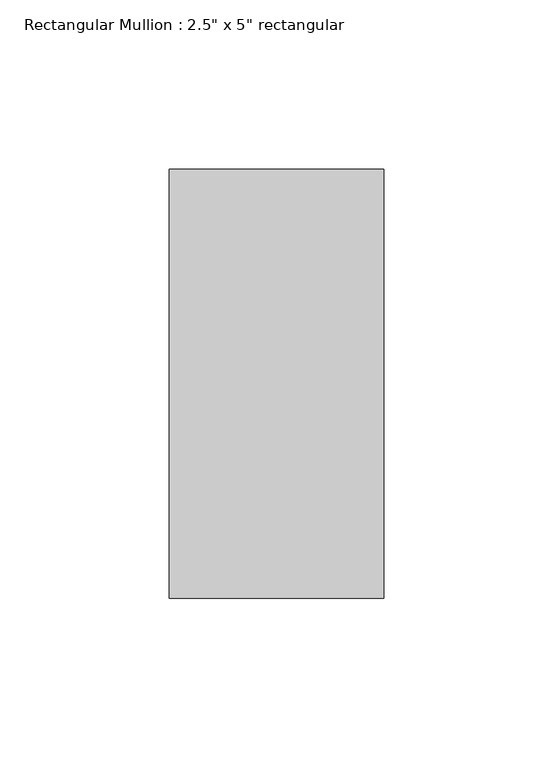
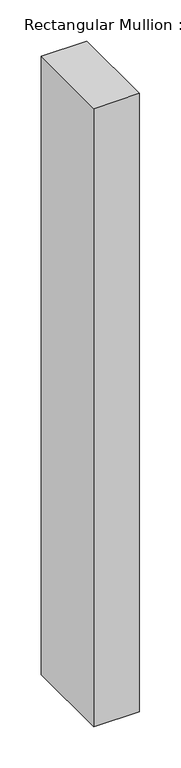
"""IFC4 building model written with IfcOpenShell, lengths in millimetres: member geometry."""

import ifcopenshell
import ifcopenshell.guid

model = None  # the IFC model being written
_history = None  # IfcOwnerHistory: only IFC2X3 demands one
_inside = {}  # id of a spatial element -> (the spatial element, [elements in it])
_under = {}  # id of a project, library or spatial element -> (it, [spatial elements below it])
_declared = {}  # id of a project -> (the project, [libraries it declares])
_typed = {}  # id of a type object -> (the type object, [elements of that type])
_made_of = {}  # id of a material, layer set ... -> (it, [elements and type objects made of it])


def new_model(schema):
    """Start an empty IFC model of exactly this schema.

    Asked for "IFC4X3", IfcOpenShell would pick the latest addendum, in which some entities
    have other attributes; the version numbers below select the first issue.
    IFC2X3 requires an IfcOwnerHistory on every rooted entity: one is made here for all.
    """
    global model, _history
    if schema == "IFC4X3":
        model = ifcopenshell.file(schema_version=(4, 3, 0, 0))
    else:
        model = ifcopenshell.file(schema=schema)
    _inside.clear()
    _under.clear()
    _declared.clear()
    _typed.clear()
    _made_of.clear()
    _history = None
    if model.schema == "IFC2X3":
        org = make("IfcOrganization", Name="unknown")
        user = make(
            "IfcPersonAndOrganization",
            ThePerson=make("IfcPerson", FamilyName="unknown"),
            TheOrganization=org,
        )
        app = make(
            "IfcApplication",
            ApplicationDeveloper=org,
            Version="unknown",
            ApplicationFullName="unknown",
            ApplicationIdentifier="unknown",
        )
        _history = make(
            "IfcOwnerHistory",
            OwningUser=user,
            OwningApplication=app,
            ChangeAction="ADDED",
            CreationDate=0,
        )
    return model


def make(cls, **values):
    """One entity of the class cls with the attributes given. An attribute that is None is left unset."""
    return model.create_entity(
        cls, **{name: value for name, value in values.items() if value is not None}
    )


def rooted(cls, **values):
    """An entity with a GlobalId (a new one), such as an element, a storey or a relation."""
    return make(cls, GlobalId=ifcopenshell.guid.new(), OwnerHistory=_history, **values)


def si_unit(unit_type, name, prefix=None):
    """IfcSIUnit, for example si_unit("LENGTHUNIT", "METRE", prefix="MILLI")."""
    return make("IfcSIUnit", UnitType=unit_type, Prefix=prefix, Name=name)


def assignment(units):
    """IfcUnitAssignment: the units of a project."""
    return None if units is None else make("IfcUnitAssignment", Units=units)


def point(xyz):
    """IfcCartesianPoint."""
    return None if xyz is None else make("IfcCartesianPoint", Coordinates=xyz)


def direction(xyz):
    """IfcDirection."""
    return None if xyz is None else make("IfcDirection", DirectionRatios=xyz)


def frame(location, z_axis=None, x_axis=None):
    """IfcAxis2Placement3D, a coordinate frame: its origin and axes. An axis left out is left unset."""
    return make(
        "IfcAxis2Placement3D",
        Location=point(location),
        Axis=direction(z_axis),
        RefDirection=direction(x_axis),
    )


def origin():
    """The frame at (0, 0, 0) with its axes left unset."""
    return frame((0.0, 0.0, 0.0))


def place(relative_to, where):
    """IfcLocalPlacement: puts the frame where relative to a parent placement (None: the world)."""
    return make(
        "IfcLocalPlacement", PlacementRelTo=relative_to, RelativePlacement=where
    )


def context(
    kind, dimensions, precision=None, world=None, true_north=None, identifier=None
):
    """IfcGeometricRepresentationContext, for example the 3D "Model" context."""
    return make(
        "IfcGeometricRepresentationContext",
        ContextIdentifier=identifier,
        ContextType=kind,
        CoordinateSpaceDimension=dimensions,
        Precision=precision,
        WorldCoordinateSystem=world,
        TrueNorth=true_north,
    )


def project(units=None, contexts=None):
    """IfcProject with its units and contexts."""
    return rooted(
        "IfcProject",
        Name="project",
        RepresentationContexts=contexts,
        UnitsInContext=assignment(units),
    )


def spatial(cls, under=None, at=None, **own):
    """A site, building, storey or space (cls), placed at a placement, below another one or the project."""
    s = rooted(cls, ObjectPlacement=at, **own)
    if under is not None:
        _under.setdefault(under.id(), (under, []))[1].append(s)
    return s


def polyline(points):
    """IfcPolyline through the points."""
    return make("IfcPolyline", Points=[point(p) for p in points])


def outline(outer, holes=None, kind="AREA"):
    """IfcArbitraryClosedProfileDef: a profile drawn as a closed curve; with holes, ...WithVoids."""
    if holes is None:
        return make("IfcArbitraryClosedProfileDef", ProfileType=kind, OuterCurve=outer)
    return make(
        "IfcArbitraryProfileDefWithVoids",
        ProfileType=kind,
        OuterCurve=outer,
        InnerCurves=holes,
    )


def extrude(swept, where, along, depth):
    """IfcExtrudedAreaSolid: the profile swept, set in the frame where, extruded along a direction by depth."""
    return make(
        "IfcExtrudedAreaSolid",
        SweptArea=swept,
        Position=where,
        ExtrudedDirection=direction(along),
        Depth=depth,
    )


def shape(context_of_items, identifier, shape_type, items):
    """IfcShapeRepresentation: the items that make up one representation, for example the "Body"."""
    return make(
        "IfcShapeRepresentation",
        ContextOfItems=context_of_items,
        RepresentationIdentifier=identifier,
        RepresentationType=shape_type,
        Items=items,
    )


def source(mapping_origin, context_of_items, identifier, shape_type, items):
    """IfcRepresentationMap: a shape defined once, which mapped items show again and again."""
    return make(
        "IfcRepresentationMap",
        MappingOrigin=mapping_origin,
        MappedRepresentation=shape(context_of_items, identifier, shape_type, items),
    )


def transform(
    local_origin,
    x_axis=None,
    y_axis=None,
    z_axis=None,
    scale=None,
    scale2=None,
    scale3=None,
    uniform=True,
):
    """IfcCartesianTransformationOperator3D, or its non-uniform kind. x_axis, y_axis, z_axis: its Axis1, 2, 3."""
    if uniform:
        return make(
            "IfcCartesianTransformationOperator3D",
            Axis1=direction(x_axis),
            Axis2=direction(y_axis),
            LocalOrigin=point(local_origin),
            Scale=scale,
            Axis3=direction(z_axis),
        )
    return make(
        "IfcCartesianTransformationOperator3DnonUniform",
        Axis1=direction(x_axis),
        Axis2=direction(y_axis),
        LocalOrigin=point(local_origin),
        Scale=scale,
        Axis3=direction(z_axis),
        Scale2=scale2,
        Scale3=scale3,
    )


def mapped(mapping_source, mapping_target):
    """IfcMappedItem: shows the shape of a source again, moved by a transform."""
    return make(
        "IfcMappedItem", MappingSource=mapping_source, MappingTarget=mapping_target
    )


def made_of(thing, what):
    """Note that an element or type object is made of a material, layer set ...; save() writes the relation."""
    if what is not None:
        _made_of.setdefault(what.id(), (what, []))[1].append(thing)
    return thing


def element(
    cls,
    number,
    at=None,
    inside=None,
    cuts=None,
    type_object=None,
    material=None,
    context=None,
    identifier="Body",
    shape_type=None,
    held_by="IfcProductDefinitionShape",
    body=None,
    shapes=None,
    **own,
):
    """One element of the class cls, such as IfcWall. Its Tag is "e" and its number.

    at: its placement. inside: the storey or other place that contains it. cuts: it is an
    opening in that element (IfcRelVoidsElement). A single representation is given by context,
    identifier, shape_type and body (its items); several are given by shapes. held_by: the class
    of the entity that holds the representations. save() writes the other relations.
    """
    e = rooted(cls, Tag="e%d" % number, ObjectPlacement=at, **own)
    if body is not None:
        shapes = [shape(context, identifier, shape_type, body)]
    if shapes is not None:
        e.Representation = make(held_by, Representations=shapes)
    if inside is not None:
        _inside.setdefault(inside.id(), (inside, []))[1].append(e)
    if cuts is not None:
        rooted(
            "IfcRelVoidsElement", RelatingBuildingElement=cuts, RelatedOpeningElement=e
        )
    if type_object is not None:
        _typed.setdefault(type_object.id(), (type_object, []))[1].append(e)
    return made_of(e, material)


def aggregate(whole, parts):
    """IfcRelAggregates: a whole, such as a stair, and the parts it consists of."""
    return rooted("IfcRelAggregates", RelatingObject=whole, RelatedObjects=parts)


def save(model, path):
    """Write the relations noted so far, then the file.

    IfcRelAggregates (storeys below a building ...), IfcRelContainedInSpatialStructure (elements
    in a storey), IfcRelDefinesByType, IfcRelAssociatesMaterial and IfcRelDeclares: one each for
    every whole, place, type object, material and project.
    """
    for whole, parts in _under.values():
        aggregate(whole, parts)
    for where, things in _inside.values():
        rooted(
            "IfcRelContainedInSpatialStructure",
            RelatedElements=things,
            RelatingStructure=where,
        )
    for kind, things in _typed.values():
        rooted("IfcRelDefinesByType", RelatedObjects=things, RelatingType=kind)
    for what, things in _made_of.values():
        rooted("IfcRelAssociatesMaterial", RelatedObjects=things, RelatingMaterial=what)
    for by, libraries in _declared.values():
        rooted("IfcRelDeclares", RelatingContext=by, RelatedDefinitions=libraries)
    model.write(path)


def member_4e869dea(model_context):
    return source(origin(), model_context, "Body", "SweptSolid", [
        extrude(outline(polyline([(0.0, 63.5), (0.0, -63.5), (-63.5, -63.5), (-63.5, 63.5), (0.0, 63.5)])), frame((0.0, 0.0, -912.81377), z_axis=(0.0, 0.0, 1.0), x_axis=(1.0, 0.0, 0.0)), (0.0, 0.0, 1.0), 912.81377),
    ])


if __name__ == "__main__":
    model = new_model("IFC4")
    model_context = context("Model", 3, world=origin())
    ifc_project = project(units=[si_unit("LENGTHUNIT", "METRE", prefix="MILLI")], contexts=[model_context])
    site = spatial("IfcSite", under=ifc_project)
    building = spatial("IfcBuilding", under=site)
    placement = place(None, origin())
    member_shape = member_4e869dea(model_context)
    element("IfcMember", 1, ObjectType="Rectangular Mullion : 2.5\" x 5\" rectangular", at=placement, inside=building, context=model_context, shape_type="MappedRepresentation", body=[
        mapped(member_shape, transform((0.0, 0.0, 0.0), x_axis=(1.0, 0.0, 0.0), y_axis=(0.0, 1.0, 0.0), z_axis=(0.0, 0.0, 1.0))),
    ])
    save(model, "model.ifc")
